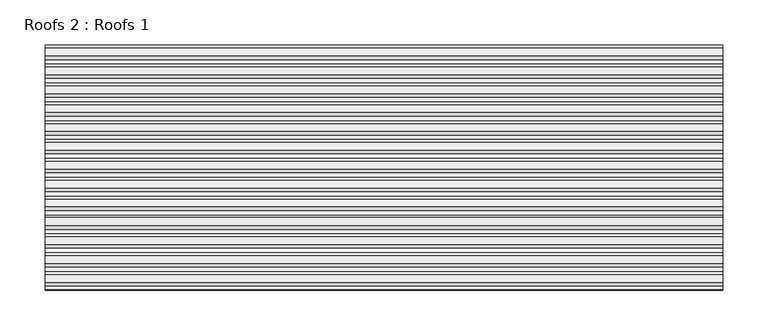
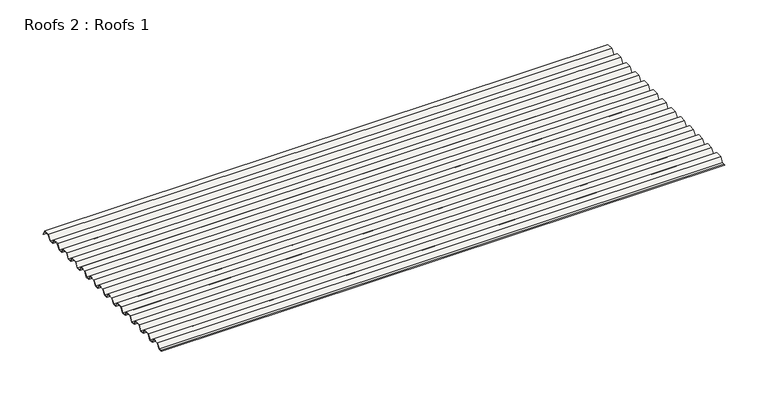
"""IFC4 building model written with IfcOpenShell, lengths in millimetres: roof geometry, Roofs 2 : Roofs 1."""

from ifc_helpers import new_model, si_unit, frame, origin, place, context, project, spatial, polyline, outline, extrude, source, transform, mapped, element, save


def roofs_2_roofs_1_0fb6655b(model_context):
    return source(origin(), model_context, "Body", "SweptSolid", [
        extrude(outline(polyline([(-9972.9350025, 23.8967546), (-9978.2553544, 23.8967546), (-9976.7737795, 24.2936296), (-9973.1504699, 24.2936296), (-9969.0285984, 30.639777), (-9960.3688636, 30.639777), (-9957.1359028, 24.2936296), (-9952.2742428, 24.2936296), (-9948.1523713, 30.639777), (-9939.4926365, 30.639777), (-9936.2596757, 24.2936296), (-9931.3980158, 24.2936296), (-9927.2761442, 30.639777), (-9918.6164094, 30.639777), (-9915.3834486, 24.2936296), (-9910.5217887, 24.2936296), (-9906.3999172, 30.639777), (-9897.7401824, 30.639777), (-9894.5072216, 24.2936296), (-9889.6455616, 24.2936296), (-9885.5236901, 30.639777), (-9876.8639553, 30.639777), (-9873.6309945, 24.2936296), (-9868.7693346, 24.2936296), (-9864.647463, 30.639777), (-9855.9877282, 30.639777), (-9852.7547674, 24.2936296), (-9847.8931075, 24.2936296), (-9843.7712359, 30.639777), (-9835.1115012, 30.639777), (-9831.8785404, 24.2936296), (-9827.0168804, 24.2936296), (-9822.8950089, 30.639777), (-9814.2352741, 30.639777), (-9811.0023133, 24.2936296), (-9806.1406534, 24.2936296), (-9802.0187818, 30.639777), (-9793.359047, 30.639777), (-9790.1260862, 24.2936296), (-9785.2644263, 24.2936296), (-9781.1425547, 30.639777), (-9772.4828199, 30.639777), (-9769.2498592, 24.2936296), (-9764.3881992, 24.2936296), (-9760.2663277, 30.639777), (-9751.6065929, 30.639777), (-9748.3736321, 24.2936296), (-9743.5119722, 24.2936296), (-9739.3901006, 30.639777), (-9730.7303658, 30.639777), (-9727.497405, 24.2936296), (-9722.6357451, 24.2936296), (-9718.5138735, 30.639777), (-9709.8541387, 30.639777), (-9706.89711, 24.8352711), (-9706.8644025, 23.8967546), (-9710.0973633, 30.242902), (-9718.2984061, 30.242902), (-9722.4202776, 23.8967546), (-9727.7406296, 23.8967546), (-9730.9735903, 30.242902), (-9739.1746331, 30.242902), (-9743.2965047, 23.8967546), (-9748.6168566, 23.8967546), (-9751.8498174, 30.242902), (-9760.0508602, 30.242902), (-9764.1727318, 23.8967546), (-9769.4930837, 23.8967546), (-9772.7260445, 30.242902), (-9780.9270873, 30.242902), (-9785.0489588, 23.8967546), (-9790.3693108, 23.8967546), (-9793.6022715, 30.242902), (-9801.8033144, 30.242902), (-9805.9251859, 23.8967546), (-9811.2455378, 23.8967546), (-9814.4784986, 30.242902), (-9822.6795414, 30.242902), (-9826.801413, 23.8967546), (-9832.1217649, 23.8967546), (-9835.3547257, 30.242902), (-9843.5557685, 30.242902), (-9847.67764, 23.8967546), (-9852.997992, 23.8967546), (-9856.2309528, 30.242902), (-9864.4319956, 30.242902), (-9868.5538671, 23.8967546), (-9873.874219, 23.8967546), (-9877.1071798, 30.242902), (-9885.3082226, 30.242902), (-9889.4300942, 23.8967546), (-9894.7504461, 23.8967546), (-9897.9834069, 30.242902), (-9906.1844497, 30.242902), (-9910.3063212, 23.8967546), (-9915.6266732, 23.8967546), (-9918.859634, 30.242902), (-9927.0606768, 30.242902), (-9931.1825483, 23.8967546), (-9936.5029002, 23.8967546), (-9939.735861, 30.242902), (-9947.9369038, 30.242902), (-9952.0587754, 23.8967546), (-9957.3791273, 23.8967546), (-9960.6120881, 30.242902), (-9968.8131309, 30.242902), (-9972.9350025, 23.8967546)])), frame((-2079.2765489, 0.0, 0.0), z_axis=(1.0, 0.0, 0.0), x_axis=(0.0, 1.0, 0.0)), (0.0, 0.0, 1.0), 748.6255515),
    ])


if __name__ == "__main__":
    model = new_model("IFC4")
    model_context = context("Model", 3, world=origin())
    ifc_project = project(units=[si_unit("LENGTHUNIT", "METRE", prefix="MILLI")], contexts=[model_context])
    site = spatial("IfcSite", under=ifc_project)
    building = spatial("IfcBuilding", under=site)
    placement = place(None, origin())
    roofs_2_roofs_1_shape = roofs_2_roofs_1_0fb6655b(model_context)
    element("IfcRoof", 1, ObjectType="Roofs 2 : Roofs 1", at=placement, inside=building, context=model_context, shape_type="MappedRepresentation", body=[
        mapped(roofs_2_roofs_1_shape, transform((0.0, 0.0, 0.0), x_axis=(1.0, 0.0, 0.0), y_axis=(0.0, 1.0, 0.0), z_axis=(0.0, 0.0, 1.0))),
    ])
    save(model, "model.ifc")
